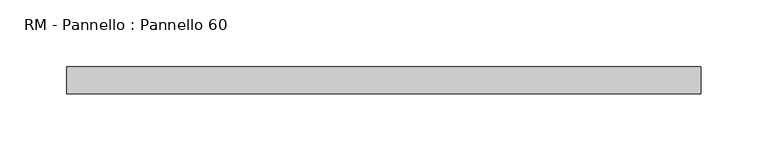
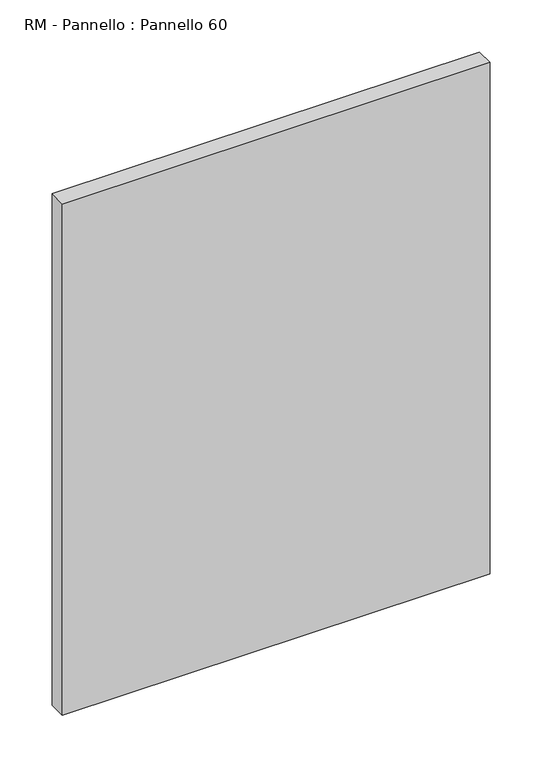
"""IFC4 building model written with IfcOpenShell, lengths in millimetres: plate geometry, RM - Pannello : Pannello 60."""

from ifc_helpers import new_model, si_unit, origin, origin_with_axes, place, context, project, spatial, polyline, outline, extrude, source, transform, mapped, element, save


def rm_pannello_pannello_60_a9e2be5f(model_context):
    return source(origin(), model_context, "Body", "SweptSolid", [
        extrude(outline(polyline([(237.0, 200.0), (237.0, 180.0), (-237.0, 180.0), (-237.0, 200.0), (237.0, 200.0)])), origin_with_axes(), (0.0, 0.0, 1.0), 600.0),
    ])


if __name__ == "__main__":
    model = new_model("IFC4")
    model_context = context("Model", 3, world=origin())
    ifc_project = project(units=[si_unit("LENGTHUNIT", "METRE", prefix="MILLI")], contexts=[model_context])
    site = spatial("IfcSite", under=ifc_project)
    building = spatial("IfcBuilding", under=site)
    placement = place(None, origin())
    rm_pannello_pannello_60_shape = rm_pannello_pannello_60_a9e2be5f(model_context)
    element("IfcPlate", 1, ObjectType="RM - Pannello : Pannello 60", at=placement, inside=building, context=model_context, shape_type="MappedRepresentation", body=[
        mapped(rm_pannello_pannello_60_shape, transform((0.0, 0.0, 0.0), x_axis=(1.0, 0.0, 0.0), y_axis=(0.0, 1.0, 0.0), z_axis=(0.0, 0.0, 1.0))),
    ])
    save(model, "model.ifc")
